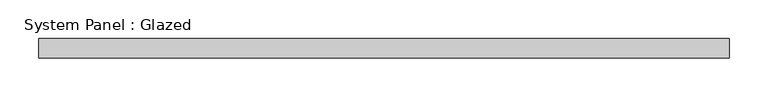
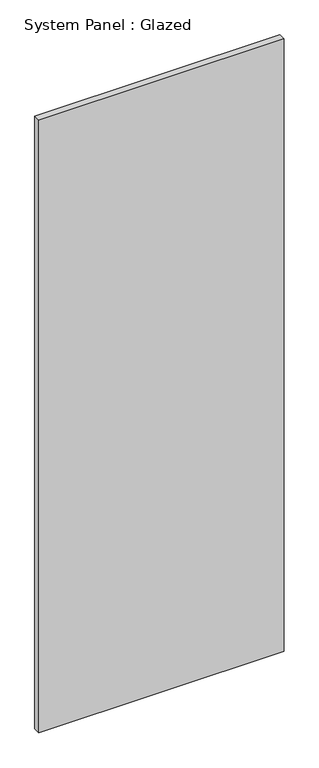
"""IFC4 building model written with IfcOpenShell, lengths in millimetres: plate geometry, System Panel : Glazed."""

from ifc_helpers import new_model, si_unit, origin, origin_with_axes, place, context, project, spatial, polyline, outline, extrude, source, transform, mapped, element, save


def system_panel_glazed_371475cb(model_context):
    return source(origin(), model_context, "Body", "SweptSolid", [
        extrude(outline(polyline([(445.303131, -49.5), (-445.303131, -49.5), (-445.303131, -24.5), (445.303131, -24.5), (445.303131, -49.5)])), origin_with_axes(), (0.0, 0.0, 1.0), 2350.0),
    ])


if __name__ == "__main__":
    model = new_model("IFC4")
    model_context = context("Model", 3, world=origin())
    ifc_project = project(units=[si_unit("LENGTHUNIT", "METRE", prefix="MILLI")], contexts=[model_context])
    site = spatial("IfcSite", under=ifc_project)
    building = spatial("IfcBuilding", under=site)
    placement = place(None, origin())
    system_panel_glazed_shape = system_panel_glazed_371475cb(model_context)
    element("IfcPlate", 1, ObjectType="System Panel : Glazed", at=placement, inside=building, context=model_context, shape_type="MappedRepresentation", body=[
        mapped(system_panel_glazed_shape, transform((0.0, 0.0, 0.0), x_axis=(1.0, 0.0, 0.0), y_axis=(0.0, 1.0, 0.0), z_axis=(0.0, 0.0, 1.0))),
    ])
    save(model, "model.ifc")
